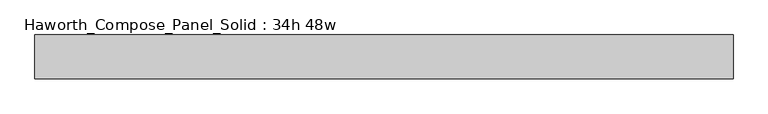
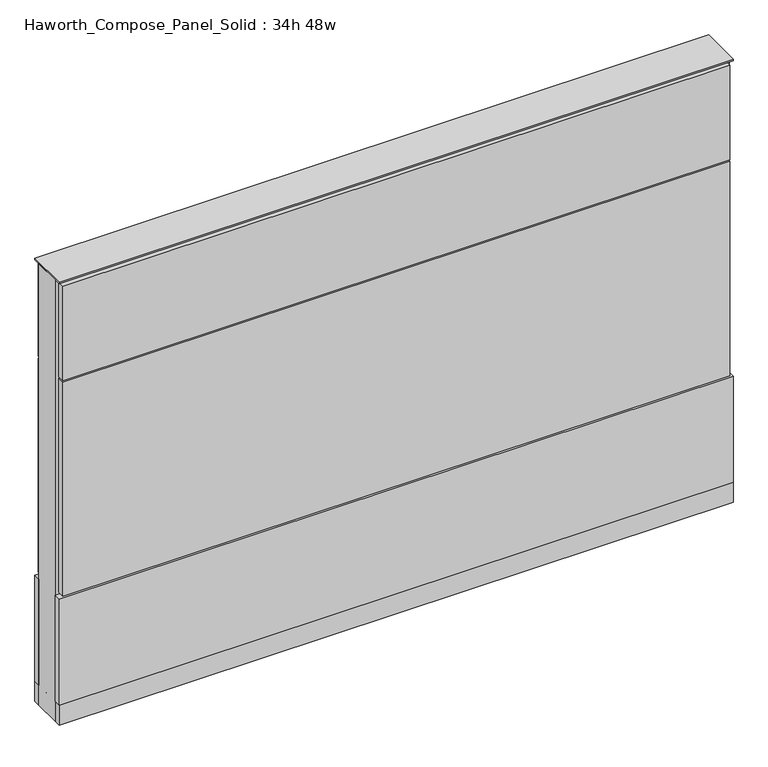
"""IFC4 building model written with IfcOpenShell, lengths in millimetres: furniture geometry, Haworth_Compose_Panel_Solid : 34h 48w."""

from ifc_helpers import new_model, si_unit, point, frame, frame_2d, origin, origin_with_axes, place, context, project, spatial, polyline, circle_curve, trimmed, segment, composite_curve, outline, extrude, source, transform, mapped, element, save


def haworth_compose_panel_solid_34h_48w_abcf6302(model_context):
    return source(origin(), model_context, "Body", "SweptSolid", [
        extrude(outline(composite_curve([segment(trimmed(circle_curve(frame_2d((-530.9597098, 0.0)), 12.7), [point((-543.6597098, 0.0))], [point((-518.2597098, 0.0))], False, "CARTESIAN"), True, "CONTINUOUS"), segment(trimmed(circle_curve(frame_2d((-530.9597098, 0.0)), 12.7), [point((-518.2597098, 0.0))], [point((-543.6597098, 0.0))], False, "CARTESIAN"), True, "CONTINUOUS")], self_intersect=False)), origin_with_axes(), (0.0, 0.0, 1.0), 12.7),
        extrude(outline(composite_curve([segment(trimmed(circle_curve(frame_2d((535.8402902, 0.0)), 12.7), [point((523.1402902, 0.0))], [point((548.5402902, 0.0))], False, "CARTESIAN"), True, "CONTINUOUS"), segment(trimmed(circle_curve(frame_2d((535.8402902, 0.0)), 12.7), [point((548.5402902, 0.0))], [point((523.1402902, 0.0))], False, "CARTESIAN"), True, "CONTINUOUS")], self_intersect=False)), origin_with_axes(), (0.0, 0.0, 1.0), 12.7),
        extrude(outline(polyline([(605.6902902, 38.1), (605.6902902, 25.4), (-600.8097098, 25.4), (-600.8097098, 38.1), (605.6902902, 38.1)])), frame((0.0, 0.0, 669.925), z_axis=(0.0, 0.0, 1.0), x_axis=(1.0, 0.0, 0.0)), (0.0, 0.0, 1.0), 180.975),
        extrude(outline(polyline([(605.6902902, 38.1), (605.6902902, 25.4), (-600.8097098, 25.4), (-600.8097098, 38.1), (605.6902902, 38.1)])), frame((0.0, 0.0, 257.175), z_axis=(0.0, 0.0, 1.0), x_axis=(1.0, 0.0, 0.0)), (0.0, 0.0, 1.0), 409.575),
        extrude(outline(polyline([(612.0402902, 38.1), (612.0402902, 25.4), (-607.1597098, 25.4), (-607.1597098, 38.1), (612.0402902, 38.1)])), frame((0.0, 0.0, 50.8), z_axis=(0.0, 0.0, 1.0), x_axis=(1.0, 0.0, 0.0)), (0.0, 0.0, 1.0), 203.2),
        extrude(outline(polyline([(612.0402902, -38.1), (-607.1597098, -38.1), (-607.1597098, -25.4), (612.0402902, -25.4), (612.0402902, -38.1)])), frame((0.0, 0.0, 50.8), z_axis=(0.0, 0.0, 1.0), x_axis=(1.0, 0.0, 0.0)), (0.0, 0.0, 1.0), 203.2),
        extrude(outline(polyline([(605.6902902, -38.1), (-600.8097098, -38.1), (-600.8097098, -25.4), (605.6902902, -25.4), (605.6902902, -38.1)])), frame((0.0, 0.0, 669.925), z_axis=(0.0, 0.0, 1.0), x_axis=(1.0, 0.0, 0.0)), (0.0, 0.0, 1.0), 180.975),
        extrude(outline(polyline([(605.6902902, -38.1), (-600.8097098, -38.1), (-600.8097098, -25.4), (605.6902902, -25.4), (605.6902902, -38.1)])), frame((0.0, 0.0, 257.175), z_axis=(0.0, 0.0, 1.0), x_axis=(1.0, 0.0, 0.0)), (0.0, 0.0, 1.0), 409.575),
        extrude(outline(polyline([(612.0402902, 25.4), (612.0402902, -25.4), (-607.1597098, -25.4), (-607.1597098, 25.4), (612.0402902, 25.4)])), frame((0.0, 0.0, 12.7), z_axis=(0.0, 0.0, 1.0), x_axis=(1.0, 0.0, 0.0)), (0.0, 0.0, 1.0), 844.55),
        extrude(outline(polyline([(-607.1597098, -38.1), (-607.1597098, 38.1), (612.0402902, 38.1), (612.0402902, -38.1), (-607.1597098, -38.1)])), frame((0.0, 0.0, 12.7), z_axis=(0.0, 0.0, 1.0), x_axis=(1.0, 0.0, 0.0)), (0.0, 0.0, 1.0), 38.1),
        extrude(outline(polyline([(-607.1597098, -38.1), (-607.1597098, 38.1), (612.0402902, 38.1), (612.0402902, -38.1), (-607.1597098, -38.1)])), frame((0.0, 0.0, 857.25), z_axis=(0.0, 0.0, 1.0), x_axis=(1.0, 0.0, 0.0)), (0.0, 0.0, 1.0), 3.175),
    ])


if __name__ == "__main__":
    model = new_model("IFC4")
    model_context = context("Model", 3, world=origin())
    ifc_project = project(units=[si_unit("LENGTHUNIT", "METRE", prefix="MILLI")], contexts=[model_context])
    site = spatial("IfcSite", under=ifc_project)
    building = spatial("IfcBuilding", under=site)
    placement = place(None, origin())
    haworth_compose_panel_solid_34h_48w_shape = haworth_compose_panel_solid_34h_48w_abcf6302(model_context)
    element("IfcFurniture", 1, ObjectType="Haworth_Compose_Panel_Solid : 34h 48w", at=placement, inside=building, context=model_context, shape_type="MappedRepresentation", body=[
        mapped(haworth_compose_panel_solid_34h_48w_shape, transform((0.0, 0.0, 0.0), x_axis=(1.0, 0.0, 0.0), y_axis=(0.0, 1.0, 0.0), z_axis=(0.0, 0.0, 1.0))),
    ])
    save(model, "model.ifc")
